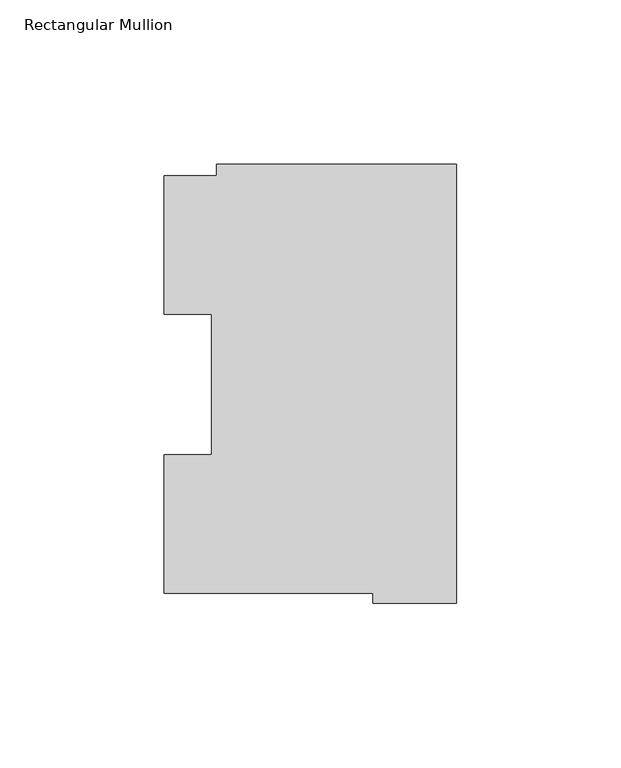
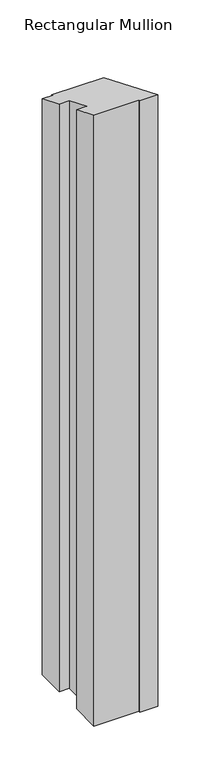
"""IFC4 building model written with IfcOpenShell, lengths in millimetres: member geometry, Rectangular Mullion."""

from ifc_helpers import new_model, si_unit, origin, place, context, project, spatial, faceted_brep, source, transform, mapped, element, save


def rectangular_mullion_596108c3(model_context):
    return source(origin(), model_context, "Body", "Brep", [
        faceted_brep([(-73.025, 130.1270275, -914.4), (0.0, 130.1270275, -914.4), (0.0, -3.2371943, -914.4), (-25.3823253, -3.2371943, -914.4), (-25.3823253, -0.2913097, -914.4), (-88.8823253, -0.2913097, -914.4), (-88.8823253, 41.7837928, -914.4), (-74.4735473, 41.7837928, -914.4), (-74.4735473, 84.6335938, -914.4), (-88.8823253, 84.6335938, -914.4), (-88.8823253, 126.7086938, -914.4), (-73.025, 126.7086938, -914.4), (-73.025, 126.7086938, -52.4844594), (-73.025, 130.1270275, -53.9003796), (-88.8823253, 126.7086938, -52.4844594), (-88.8823253, 84.6335938, -35.0563824), (-74.4735473, 84.6335938, -35.0563824), (-74.4735473, 41.7837928, -17.3074137), (-88.8823253, 41.7837928, -17.3074137), (-88.8823253, -0.2913097, 0.1206644), (-25.3823253, -0.2913097, 0.1206644), (-25.3823253, -3.2371943, 1.3408898), (0.0, -3.2371943, 1.3408898), (0.0, 130.1270275, -53.9003796)], [[[0, 1, 2, 3, 4, 5, 6, 7, 8, 9, 10, 11]], [[12, 13, 0, 11]], [[14, 12, 11, 10]], [[15, 14, 10, 9]], [[16, 15, 9, 8]], [[17, 16, 8, 7]], [[18, 17, 7, 6]], [[19, 18, 6, 5]], [[20, 19, 5, 4]], [[21, 20, 4, 3]], [[22, 21, 3, 2]], [[23, 22, 2, 1]], [[13, 23, 1, 0]], [[13, 12, 14, 15, 16, 17, 18, 19, 20, 21, 22, 23]]]),
    ])


if __name__ == "__main__":
    model = new_model("IFC4")
    model_context = context("Model", 3, world=origin())
    ifc_project = project(units=[si_unit("LENGTHUNIT", "METRE", prefix="MILLI")], contexts=[model_context])
    site = spatial("IfcSite", under=ifc_project)
    building = spatial("IfcBuilding", under=site)
    placement = place(None, origin())
    rectangular_mullion_shape = rectangular_mullion_596108c3(model_context)
    element("IfcMember", 1, ObjectType="Rectangular Mullion", at=placement, inside=building, context=model_context, shape_type="MappedRepresentation", body=[
        mapped(rectangular_mullion_shape, transform((0.0, 0.0, 0.0), x_axis=(1.0, 0.0, 0.0), y_axis=(0.0, 1.0, 0.0), z_axis=(0.0, 0.0, 1.0))),
    ])
    save(model, "model.ifc")
